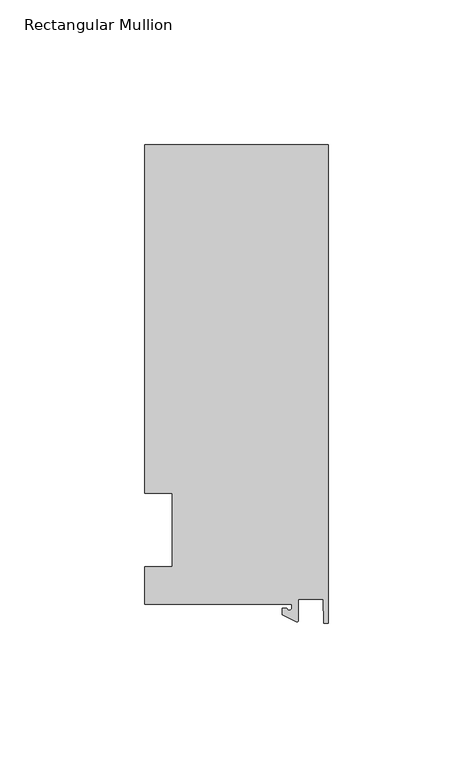
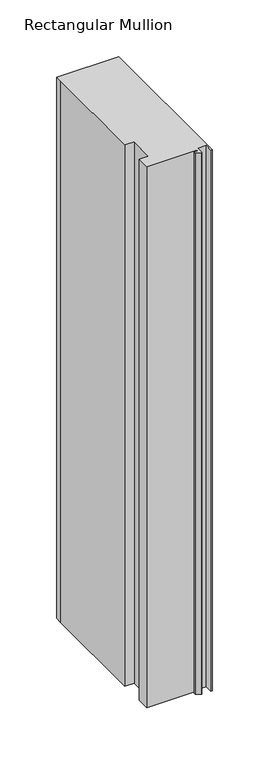
"""IFC4 building model written with IfcOpenShell, lengths in millimetres: member geometry, Rectangular Mullion."""

import ifcopenshell
import ifcopenshell.guid

model = None  # the IFC model being written
_history = None  # IfcOwnerHistory: only IFC2X3 demands one
_inside = {}  # id of a spatial element -> (the spatial element, [elements in it])
_under = {}  # id of a project, library or spatial element -> (it, [spatial elements below it])
_declared = {}  # id of a project -> (the project, [libraries it declares])
_typed = {}  # id of a type object -> (the type object, [elements of that type])
_made_of = {}  # id of a material, layer set ... -> (it, [elements and type objects made of it])


def new_model(schema):
    """Start an empty IFC model of exactly this schema.

    Asked for "IFC4X3", IfcOpenShell would pick the latest addendum, in which some entities
    have other attributes; the version numbers below select the first issue.
    IFC2X3 requires an IfcOwnerHistory on every rooted entity: one is made here for all.
    """
    global model, _history
    if schema == "IFC4X3":
        model = ifcopenshell.file(schema_version=(4, 3, 0, 0))
    else:
        model = ifcopenshell.file(schema=schema)
    _inside.clear()
    _under.clear()
    _declared.clear()
    _typed.clear()
    _made_of.clear()
    _history = None
    if model.schema == "IFC2X3":
        org = make("IfcOrganization", Name="unknown")
        user = make(
            "IfcPersonAndOrganization",
            ThePerson=make("IfcPerson", FamilyName="unknown"),
            TheOrganization=org,
        )
        app = make(
            "IfcApplication",
            ApplicationDeveloper=org,
            Version="unknown",
            ApplicationFullName="unknown",
            ApplicationIdentifier="unknown",
        )
        _history = make(
            "IfcOwnerHistory",
            OwningUser=user,
            OwningApplication=app,
            ChangeAction="ADDED",
            CreationDate=0,
        )
    return model


def make(cls, **values):
    """One entity of the class cls with the attributes given. An attribute that is None is left unset."""
    return model.create_entity(
        cls, **{name: value for name, value in values.items() if value is not None}
    )


def rooted(cls, **values):
    """An entity with a GlobalId (a new one), such as an element, a storey or a relation."""
    return make(cls, GlobalId=ifcopenshell.guid.new(), OwnerHistory=_history, **values)


def si_unit(unit_type, name, prefix=None):
    """IfcSIUnit, for example si_unit("LENGTHUNIT", "METRE", prefix="MILLI")."""
    return make("IfcSIUnit", UnitType=unit_type, Prefix=prefix, Name=name)


def assignment(units):
    """IfcUnitAssignment: the units of a project."""
    return None if units is None else make("IfcUnitAssignment", Units=units)


def point(xyz):
    """IfcCartesianPoint."""
    return None if xyz is None else make("IfcCartesianPoint", Coordinates=xyz)


def direction(xyz):
    """IfcDirection."""
    return None if xyz is None else make("IfcDirection", DirectionRatios=xyz)


def frame(location, z_axis=None, x_axis=None):
    """IfcAxis2Placement3D, a coordinate frame: its origin and axes. An axis left out is left unset."""
    return make(
        "IfcAxis2Placement3D",
        Location=point(location),
        Axis=direction(z_axis),
        RefDirection=direction(x_axis),
    )


def frame_2d(location, x_axis=None):
    """IfcAxis2Placement2D, a coordinate frame in the plane: its origin and x axis."""
    return make(
        "IfcAxis2Placement2D", Location=point(location), RefDirection=direction(x_axis)
    )


def origin():
    """The frame at (0, 0, 0) with its axes left unset."""
    return frame((0.0, 0.0, 0.0))


def place(relative_to, where):
    """IfcLocalPlacement: puts the frame where relative to a parent placement (None: the world)."""
    return make(
        "IfcLocalPlacement", PlacementRelTo=relative_to, RelativePlacement=where
    )


def context(
    kind, dimensions, precision=None, world=None, true_north=None, identifier=None
):
    """IfcGeometricRepresentationContext, for example the 3D "Model" context."""
    return make(
        "IfcGeometricRepresentationContext",
        ContextIdentifier=identifier,
        ContextType=kind,
        CoordinateSpaceDimension=dimensions,
        Precision=precision,
        WorldCoordinateSystem=world,
        TrueNorth=true_north,
    )


def project(units=None, contexts=None):
    """IfcProject with its units and contexts."""
    return rooted(
        "IfcProject",
        Name="project",
        RepresentationContexts=contexts,
        UnitsInContext=assignment(units),
    )


def spatial(cls, under=None, at=None, **own):
    """A site, building, storey or space (cls), placed at a placement, below another one or the project."""
    s = rooted(cls, ObjectPlacement=at, **own)
    if under is not None:
        _under.setdefault(under.id(), (under, []))[1].append(s)
    return s


def polyline(points):
    """IfcPolyline through the points."""
    return make("IfcPolyline", Points=[point(p) for p in points])


def circle_curve(where, radius):
    """IfcCircle in the frame where."""
    return make("IfcCircle", Position=where, Radius=radius)


def trimmed(basis, trim1, trim2, sense, master):
    """IfcTrimmedCurve: the piece of a basis curve between two trims."""
    return make(
        "IfcTrimmedCurve",
        BasisCurve=basis,
        Trim1=trim1,
        Trim2=trim2,
        SenseAgreement=sense,
        MasterRepresentation=master,
    )


def segment(curve, same_sense, transition):
    """IfcCompositeCurveSegment."""
    return make(
        "IfcCompositeCurveSegment",
        Transition=transition,
        SameSense=same_sense,
        ParentCurve=curve,
    )


def composite_curve(segments, self_intersect=None):
    """IfcCompositeCurve: segments joined end to end."""
    return make("IfcCompositeCurve", Segments=segments, SelfIntersect=self_intersect)


def outline(outer, holes=None, kind="AREA"):
    """IfcArbitraryClosedProfileDef: a profile drawn as a closed curve; with holes, ...WithVoids."""
    if holes is None:
        return make("IfcArbitraryClosedProfileDef", ProfileType=kind, OuterCurve=outer)
    return make(
        "IfcArbitraryProfileDefWithVoids",
        ProfileType=kind,
        OuterCurve=outer,
        InnerCurves=holes,
    )


def extrude(swept, where, along, depth):
    """IfcExtrudedAreaSolid: the profile swept, set in the frame where, extruded along a direction by depth."""
    return make(
        "IfcExtrudedAreaSolid",
        SweptArea=swept,
        Position=where,
        ExtrudedDirection=direction(along),
        Depth=depth,
    )


def shape(context_of_items, identifier, shape_type, items):
    """IfcShapeRepresentation: the items that make up one representation, for example the "Body"."""
    return make(
        "IfcShapeRepresentation",
        ContextOfItems=context_of_items,
        RepresentationIdentifier=identifier,
        RepresentationType=shape_type,
        Items=items,
    )


def source(mapping_origin, context_of_items, identifier, shape_type, items):
    """IfcRepresentationMap: a shape defined once, which mapped items show again and again."""
    return make(
        "IfcRepresentationMap",
        MappingOrigin=mapping_origin,
        MappedRepresentation=shape(context_of_items, identifier, shape_type, items),
    )


def transform(
    local_origin,
    x_axis=None,
    y_axis=None,
    z_axis=None,
    scale=None,
    scale2=None,
    scale3=None,
    uniform=True,
):
    """IfcCartesianTransformationOperator3D, or its non-uniform kind. x_axis, y_axis, z_axis: its Axis1, 2, 3."""
    if uniform:
        return make(
            "IfcCartesianTransformationOperator3D",
            Axis1=direction(x_axis),
            Axis2=direction(y_axis),
            LocalOrigin=point(local_origin),
            Scale=scale,
            Axis3=direction(z_axis),
        )
    return make(
        "IfcCartesianTransformationOperator3DnonUniform",
        Axis1=direction(x_axis),
        Axis2=direction(y_axis),
        LocalOrigin=point(local_origin),
        Scale=scale,
        Axis3=direction(z_axis),
        Scale2=scale2,
        Scale3=scale3,
    )


def mapped(mapping_source, mapping_target):
    """IfcMappedItem: shows the shape of a source again, moved by a transform."""
    return make(
        "IfcMappedItem", MappingSource=mapping_source, MappingTarget=mapping_target
    )


def made_of(thing, what):
    """Note that an element or type object is made of a material, layer set ...; save() writes the relation."""
    if what is not None:
        _made_of.setdefault(what.id(), (what, []))[1].append(thing)
    return thing


def element(
    cls,
    number,
    at=None,
    inside=None,
    cuts=None,
    type_object=None,
    material=None,
    context=None,
    identifier="Body",
    shape_type=None,
    held_by="IfcProductDefinitionShape",
    body=None,
    shapes=None,
    **own,
):
    """One element of the class cls, such as IfcWall. Its Tag is "e" and its number.

    at: its placement. inside: the storey or other place that contains it. cuts: it is an
    opening in that element (IfcRelVoidsElement). A single representation is given by context,
    identifier, shape_type and body (its items); several are given by shapes. held_by: the class
    of the entity that holds the representations. save() writes the other relations.
    """
    e = rooted(cls, Tag="e%d" % number, ObjectPlacement=at, **own)
    if body is not None:
        shapes = [shape(context, identifier, shape_type, body)]
    if shapes is not None:
        e.Representation = make(held_by, Representations=shapes)
    if inside is not None:
        _inside.setdefault(inside.id(), (inside, []))[1].append(e)
    if cuts is not None:
        rooted(
            "IfcRelVoidsElement", RelatingBuildingElement=cuts, RelatedOpeningElement=e
        )
    if type_object is not None:
        _typed.setdefault(type_object.id(), (type_object, []))[1].append(e)
    return made_of(e, material)


def aggregate(whole, parts):
    """IfcRelAggregates: a whole, such as a stair, and the parts it consists of."""
    return rooted("IfcRelAggregates", RelatingObject=whole, RelatedObjects=parts)


def save(model, path):
    """Write the relations noted so far, then the file.

    IfcRelAggregates (storeys below a building ...), IfcRelContainedInSpatialStructure (elements
    in a storey), IfcRelDefinesByType, IfcRelAssociatesMaterial and IfcRelDeclares: one each for
    every whole, place, type object, material and project.
    """
    for whole, parts in _under.values():
        aggregate(whole, parts)
    for where, things in _inside.values():
        rooted(
            "IfcRelContainedInSpatialStructure",
            RelatedElements=things,
            RelatingStructure=where,
        )
    for kind, things in _typed.values():
        rooted("IfcRelDefinesByType", RelatedObjects=things, RelatingType=kind)
    for what, things in _made_of.values():
        rooted("IfcRelAssociatesMaterial", RelatedObjects=things, RelatingMaterial=what)
    for by, libraries in _declared.values():
        rooted("IfcRelDeclares", RelatingContext=by, RelatedDefinitions=libraries)
    model.write(path)


def rectangular_mullion_6fa4cebf(model_context):
    return source(origin(), model_context, "Body", "SweptSolid", [
        extrude(outline(composite_curve([segment(polyline([(-12.6173814, -25.796875), (-63.5, -25.796875), (-63.5, -12.7), (-53.975, -12.7), (-53.975, 12.7), (-63.5, 12.7), (-63.5, 125.8114907), (-63.5, 133.34365), (0.0, 133.34365), (0.0, -32.288874), (-1.5658966, -32.288874), (-1.7144124, -23.9227662), (-10.2297814, -23.9227662), (-10.2297814, -31.2414327)]), True, "CONTINUOUS"), segment(trimmed(circle_curve(frame_2d((-10.7377814, -31.2414327)), 0.508), [point((-10.2297814, -31.2414327))], [point((-10.9524715, -31.7018371))], False, "CARTESIAN"), True, "CONTINUOUS"), segment(polyline([(-10.9524715, -31.7018371), (-15.7923814, -29.44495), (-15.7923814, -27.0827507), (-14.2048814, -27.0827507)]), True, "CONTINUOUS"), segment(trimmed(circle_curve(frame_2d((-13.4111314, -27.0827507)), 0.79375), [point((-14.2048814, -27.0827507))], [point((-12.6173814, -27.0827507))], True, "CARTESIAN"), True, "CONTINUOUS"), segment(polyline([(-12.6173814, -27.0827507), (-12.6173814, -25.796875)]), True, "CONTINUOUS")], self_intersect=False)), frame((0.0, 0.0, -584.2), z_axis=(0.0, 0.0, 1.0), x_axis=(1.0, 0.0, 0.0)), (0.0, 0.0, 1.0), 584.2),
    ])


if __name__ == "__main__":
    model = new_model("IFC4")
    model_context = context("Model", 3, world=origin())
    ifc_project = project(units=[si_unit("LENGTHUNIT", "METRE", prefix="MILLI")], contexts=[model_context])
    site = spatial("IfcSite", under=ifc_project)
    building = spatial("IfcBuilding", under=site)
    placement = place(None, origin())
    rectangular_mullion_shape = rectangular_mullion_6fa4cebf(model_context)
    element("IfcMember", 1, ObjectType="Rectangular Mullion", at=placement, inside=building, context=model_context, shape_type="MappedRepresentation", body=[
        mapped(rectangular_mullion_shape, transform((0.0, 0.0, 0.0), x_axis=(1.0, 0.0, 0.0), y_axis=(0.0, 1.0, 0.0), z_axis=(0.0, 0.0, 1.0))),
    ])
    save(model, "model.ifc")
